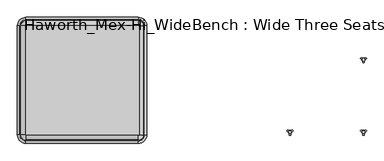
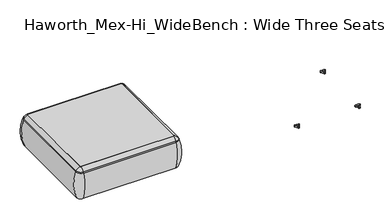
"""IFC4 building model written with IfcOpenShell, lengths in millimetres: furniture geometry, Haworth_Mex-Hi_WideBench : Wide Three Seats Bench."""

from ifc_helpers import new_model, si_unit, point, frame, frame_2d, origin, place, context, project, spatial, polyline, circle_curve, ellipse_curve, trimmed, segment, composite_curve, outline, extrude, source, transform, mapped, element, save
from ifc_brep_helpers import plane_surface, cylinder_surface, revolved_surface, advanced_brep


def haworth_mex_hi_widebench_wide_three_seats_bench_999d82e3(model_context):
    return source(origin(), model_context, "Body", "SolidModel", [
        advanced_brep(
        [(-1447.2450173, -668.4794123, 390.3914007), (-1441.96521, -673.7592195, 390.3914007), (-1441.96521, -673.7592195, 123.9999984), (-1447.2450173, -668.4794123, 123.9999984), (-1475.9330615, -668.4794123, 123.9999984), (-1441.96521, -702.4472637, 123.9999984), (-1441.96521, -710.1267287, 353.7769053), (-1483.6125265, -668.4794123, 353.7769053), (-1447.2450173, 89.8571486, 123.9999984), (-1447.2450173, 89.8571486, 390.3914007), (-1483.6125265, 89.8571486, 353.7769053), (-1475.9330615, 89.8571486, 123.9999984), (-1441.96521, 95.1369558, 390.3914007), (-1441.96521, 95.1369558, 123.9999984), (-1441.96521, 123.825, 123.9999984), (-1441.96521, 131.504465, 353.7769053), (-662.18521, 95.1369558, 123.9999984), (-662.18521, 95.1369558, 390.3914007), (-662.18521, 131.504465, 353.7769053), (-662.18521, 123.825, 123.9999984), (-656.9054028, 89.8571486, 390.3914007), (-656.9054028, 89.8571486, 123.9999984), (-628.2173586, 89.8571486, 123.9999984), (-620.5378936, 89.8571486, 353.7769053), (-656.9054028, -668.4794123, 123.9999984), (-656.9054028, -668.4794123, 390.3914007), (-620.5378936, -668.4794123, 353.7769053), (-628.2173586, -668.4794123, 123.9999984), (-662.18521, -673.7592195, 390.3914007), (-662.18521, -673.7592195, 123.9999984), (-662.18521, -702.4472637, 123.9999984), (-662.18521, -710.1267287, 353.7769053), (-1478.3940666, -668.4794123, 363.6402875), (-1441.96521, -704.9082688, 363.6402875), (-1478.3940666, 89.8571486, 363.6402875), (-1441.96521, 126.2860051, 363.6402875), (-662.18521, 126.2860051, 363.6402875), (-625.7563535, 89.8571486, 363.6402875), (-625.7563535, -668.4794123, 363.6402875), (-662.18521, -704.9082688, 363.6402875)],
        [
            (0, 1, circle_curve(frame((-1441.96521, -668.4794123, 390.3914007), z_axis=(0.0, 0.0, 1.0), x_axis=(0.0, -1.0, 0.0)), 5.2798073)),
            (1, 2),
            (2, 3, circle_curve(frame((-1441.96521, -668.4794123, 123.9999984), z_axis=(0.0, 0.0, -1.0), x_axis=(0.0, -1.0, 0.0)), 5.2798073)),
            (3, 0),
            (4, 5, circle_curve(frame((-1441.96521, -668.4794123, 123.9999984), z_axis=(0.0, 0.0, 1.0), x_axis=(0.0, -1.0, 0.0)), 33.9678514)),
            (5, 6, circle_curve(frame((-1441.96521, -406.0729797, 248.9220234), z_axis=(-1.0, 0.0, 0.0), x_axis=(0.0, -1.0, 0.0)), 321.625914)),
            (6, 7, circle_curve(frame((-1441.96521, -668.4794123, 353.7769053), z_axis=(0.0, 0.0, -1.0), x_axis=(0.0, -1.0, 0.0)), 41.6473165)),
            (7, 4, circle_curve(frame((-1179.5587775, -668.4794123, 248.9220234), z_axis=(0.0, -1.0, 0.0), x_axis=(-1.0, 0.0, 0.0)), 321.625914)),
            (3, 8),
            (8, 9),
            (9, 0),
            (7, 10),
            (10, 11, circle_curve(frame((-1179.5587775, 89.8571486, 248.9220234), z_axis=(0.0, -1.0, 0.0), x_axis=(-1.0, 0.0, 0.0)), 321.625914)),
            (11, 4),
            (12, 9, circle_curve(frame((-1441.96521, 89.8571486, 390.3914007), z_axis=(0.0, 0.0, 1.0), x_axis=(-1.0, 0.0, 0.0)), 5.2798073)),
            (8, 13, circle_curve(frame((-1441.96521, 89.8571486, 123.9999984), z_axis=(0.0, 0.0, -1.0), x_axis=(-1.0, 0.0, 0.0)), 5.2798073)),
            (13, 12),
            (14, 11, circle_curve(frame((-1441.96521, 89.8571486, 123.9999984), z_axis=(0.0, 0.0, 1.0), x_axis=(-1.0, 0.0, 0.0)), 33.9678514)),
            (10, 15, circle_curve(frame((-1441.96521, 89.8571486, 353.7769053), z_axis=(0.0, 0.0, -1.0), x_axis=(-1.0, 0.0, 0.0)), 41.6473165)),
            (15, 14, circle_curve(frame((-1441.96521, -172.549284, 248.9220234), z_axis=(-1.0, 0.0, 0.0), x_axis=(0.0, 1.0, 0.0)), 321.625914)),
            (13, 16),
            (16, 17),
            (17, 12),
            (15, 18),
            (18, 19, circle_curve(frame((-662.18521, -172.549284, 248.9220234), z_axis=(-1.0, 0.0, 0.0), x_axis=(0.0, 1.0, 0.0)), 321.625914)),
            (19, 14),
            (20, 17, circle_curve(frame((-662.18521, 89.8571486, 390.3914007), z_axis=(0.0, 0.0, 1.0), x_axis=(0.0, 1.0, 0.0)), 5.2798073)),
            (16, 21, circle_curve(frame((-662.18521, 89.8571486, 123.9999984), z_axis=(0.0, 0.0, -1.0), x_axis=(0.0, 1.0, 0.0)), 5.2798073)),
            (21, 20),
            (22, 19, circle_curve(frame((-662.18521, 89.8571486, 123.9999984), z_axis=(0.0, 0.0, 1.0), x_axis=(0.0, 1.0, 0.0)), 33.9678514)),
            (18, 23, circle_curve(frame((-662.18521, 89.8571486, 353.7769053), z_axis=(0.0, 0.0, -1.0), x_axis=(0.0, 1.0, 0.0)), 41.6473165)),
            (23, 22, circle_curve(frame((-924.5916426, 89.8571486, 248.9220234), z_axis=(0.0, 1.0, 0.0), x_axis=(1.0, 0.0, 0.0)), 321.625914)),
            (21, 24),
            (24, 25),
            (25, 20),
            (23, 26),
            (26, 27, circle_curve(frame((-924.5916426, -668.4794123, 248.9220234), z_axis=(0.0, 1.0, 0.0), x_axis=(1.0, 0.0, 0.0)), 321.625914)),
            (27, 22),
            (28, 25, circle_curve(frame((-662.18521, -668.4794123, 390.3914007), z_axis=(0.0, 0.0, 1.0), x_axis=(1.0, 0.0, 0.0)), 5.2798073)),
            (24, 29, circle_curve(frame((-662.18521, -668.4794123, 123.9999984), z_axis=(0.0, 0.0, -1.0), x_axis=(1.0, 0.0, 0.0)), 5.2798073)),
            (29, 28),
            (30, 27, circle_curve(frame((-662.18521, -668.4794123, 123.9999984), z_axis=(0.0, 0.0, 1.0), x_axis=(1.0, 0.0, 0.0)), 33.9678514)),
            (26, 31, circle_curve(frame((-662.18521, -668.4794123, 353.7769053), z_axis=(0.0, 0.0, -1.0), x_axis=(1.0, 0.0, 0.0)), 41.6473165)),
            (31, 30, circle_curve(frame((-662.18521, -406.0729797, 248.9220234), z_axis=(1.0, 0.0, 0.0), x_axis=(0.0, -1.0, 0.0)), 321.625914)),
            (30, 5),
            (2, 29),
            (1, 28),
            (31, 6),
            (32, 33, circle_curve(frame((-1441.96521, -668.4794123, 363.6402875), z_axis=(0.0, 0.0, 1.0), x_axis=(0.0, -1.0, 0.0)), 36.4288566)),
            (33, 1, circle_curve(frame((-1441.96521, -629.5266, 307.3762868), z_axis=(-1.0, 0.0, 0.0), x_axis=(0.0, -1.0, 0.0)), 94.0639876)),
            (0, 32, circle_curve(frame((-1403.0123978, -668.4794123, 307.3762868), z_axis=(0.0, -1.0, 0.0), x_axis=(-1.0, 0.0, 0.0)), 94.0639876)),
            (6, 33, circle_curve(frame((-1441.96521, -675.8620096, 341.9604975), z_axis=(-1.0, 0.0, 0.0), x_axis=(0.0, -1.0, 0.0)), 36.2449785)),
            (32, 7, circle_curve(frame((-1449.3478074, -668.4794123, 341.9604975), z_axis=(0.0, -1.0, 0.0), x_axis=(-1.0, 0.0, 0.0)), 36.2449785)),
            (9, 34, circle_curve(frame((-1403.0123978, 89.8571486, 307.3762868), z_axis=(0.0, -1.0, 0.0), x_axis=(-1.0, 0.0, 0.0)), 94.0639876)),
            (34, 32),
            (34, 10, circle_curve(frame((-1449.3478074, 89.8571486, 341.9604975), z_axis=(0.0, -1.0, 0.0), x_axis=(-1.0, 0.0, 0.0)), 36.2449785)),
            (35, 34, circle_curve(frame((-1441.96521, 89.8571486, 363.6402875), z_axis=(0.0, 0.0, 1.0), x_axis=(-1.0, 0.0, 0.0)), 36.4288566)),
            (12, 35, circle_curve(frame((-1441.96521, 50.9043363, 307.3762868), z_axis=(-1.0, 0.0, 0.0), x_axis=(0.0, 1.0, 0.0)), 94.0639876)),
            (35, 15, circle_curve(frame((-1441.96521, 97.2397459, 341.9604975), z_axis=(-1.0, 0.0, 0.0), x_axis=(0.0, 1.0, 0.0)), 36.2449785)),
            (17, 36, circle_curve(frame((-662.18521, 50.9043363, 307.3762868), z_axis=(-1.0, 0.0, 0.0), x_axis=(0.0, 1.0, 0.0)), 94.0639876)),
            (36, 35),
            (36, 18, circle_curve(frame((-662.18521, 97.2397459, 341.9604975), z_axis=(-1.0, 0.0, 0.0), x_axis=(0.0, 1.0, 0.0)), 36.2449785)),
            (37, 36, circle_curve(frame((-662.18521, 89.8571486, 363.6402875), z_axis=(0.0, 0.0, 1.0), x_axis=(0.0, 1.0, 0.0)), 36.4288566)),
            (20, 37, circle_curve(frame((-701.1380223, 89.8571486, 307.3762868), z_axis=(0.0, 1.0, 0.0), x_axis=(1.0, 0.0, 0.0)), 94.0639876)),
            (37, 23, circle_curve(frame((-654.8026126, 89.8571486, 341.9604975), z_axis=(0.0, 1.0, 0.0), x_axis=(1.0, 0.0, 0.0)), 36.2449785)),
            (25, 38, circle_curve(frame((-701.1380223, -668.4794123, 307.3762868), z_axis=(0.0, 1.0, 0.0), x_axis=(1.0, 0.0, 0.0)), 94.0639876)),
            (38, 37),
            (38, 26, circle_curve(frame((-654.8026126, -668.4794123, 341.9604975), z_axis=(0.0, 1.0, 0.0), x_axis=(1.0, 0.0, 0.0)), 36.2449785)),
            (39, 38, circle_curve(frame((-662.18521, -668.4794123, 363.6402875), z_axis=(0.0, 0.0, 1.0), x_axis=(1.0, 0.0, 0.0)), 36.4288566)),
            (28, 39, circle_curve(frame((-662.18521, -629.5266, 307.3762868), z_axis=(1.0, 0.0, 0.0), x_axis=(0.0, -1.0, 0.0)), 94.0639876)),
            (39, 31, circle_curve(frame((-662.18521, -675.8620096, 341.9604975), z_axis=(1.0, 0.0, 0.0), x_axis=(0.0, -1.0, 0.0)), 36.2449785)),
            (33, 39),
        ],
        [
            revolved_surface(polyline([(-1441.96521, -673.7592196, 123.9999984), (-1441.96521, -673.7592196, 390.3914007)]), (-1441.96521, -668.4794123, 0.0), (0.0, 0.0, -1.0)),
            revolved_surface(trimmed(ellipse_curve(frame((-1441.96521, -406.0729797, 248.9220234), z_axis=(1.0, 0.0, 0.0), x_axis=(0.0, -1.0, 0.0)), 321.625914, 321.625914), [point((-1441.96521, -710.1267287, 353.7769053))], [point((-1441.96521, -702.4472637, 123.9999984))], True, "CARTESIAN"), (-1441.96521, -668.4794123, 0.0), (0.0, 0.0, -1.0)),
            plane_surface(frame((-1447.2450173, -668.4794123, 123.9999984), z_axis=(1.0, 0.0, 0.0), x_axis=(0.0, 1.0, 0.0))),
            cylinder_surface(frame((-1179.5587775, -668.4794123, 248.9220234), z_axis=(0.0, -1.0, 0.0), x_axis=(-1.0, 0.0, 0.0)), 321.625914),
            revolved_surface(polyline([(-1447.2450173, 89.8571486, 123.9999984), (-1447.2450173, 89.8571486, 390.3914007)]), (-1441.96521, 89.8571486, 0.0), (0.0, 0.0, -1.0)),
            revolved_surface(trimmed(ellipse_curve(frame((-1179.5587775, 89.8571486, 248.9220234), z_axis=(0.0, -1.0, 0.0), x_axis=(-1.0, 0.0, 0.0)), 321.625914, 321.625914), [point((-1483.6125265, 89.8571486, 353.7769053))], [point((-1475.9330615, 89.8571486, 123.9999984))], True, "CARTESIAN"), (-1441.96521, 89.8571486, 0.0), (0.0, 0.0, -1.0)),
            plane_surface(frame((-1441.96521, 95.1369558, 123.9999984), z_axis=(0.0, -1.0, 0.0), x_axis=(1.0, 0.0, 0.0))),
            cylinder_surface(frame((-1441.96521, -172.549284, 248.9220234), z_axis=(-1.0, 0.0, 0.0), x_axis=(0.0, 1.0, 0.0)), 321.625914),
            revolved_surface(polyline([(-662.18521, 95.1369559, 123.9999984), (-662.18521, 95.1369559, 390.3914007)]), (-662.18521, 89.8571486, 0.0), (0.0, 0.0, -1.0)),
            revolved_surface(trimmed(ellipse_curve(frame((-662.18521, -172.549284, 248.9220234), z_axis=(-1.0, 0.0, 0.0), x_axis=(0.0, 1.0, 0.0)), 321.625914, 321.625914), [point((-662.18521, 131.504465, 353.7769053))], [point((-662.18521, 123.825, 123.9999984))], True, "CARTESIAN"), (-662.18521, 89.8571486, 0.0), (0.0, 0.0, -1.0)),
            plane_surface(frame((-656.9054028, 89.8571486, 123.9999984), z_axis=(-1.0, 0.0, 0.0), x_axis=(0.0, -1.0, 0.0))),
            cylinder_surface(frame((-924.5916426, 89.8571486, 248.9220234), z_axis=(0.0, 1.0, 0.0), x_axis=(1.0, 0.0, 0.0)), 321.625914),
            revolved_surface(polyline([(-656.9054027, -668.4794123, 123.9999984), (-656.9054027, -668.4794123, 390.3914007)]), (-662.18521, -668.4794123, 0.0), (0.0, 0.0, -1.0)),
            revolved_surface(trimmed(ellipse_curve(frame((-924.5916426, -668.4794123, 248.9220234), z_axis=(0.0, 1.0, 0.0), x_axis=(1.0, 0.0, 0.0)), 321.625914, 321.625914), [point((-620.5378936, -668.4794123, 353.7769053))], [point((-628.2173586, -668.4794123, 123.9999984))], True, "CARTESIAN"), (-662.18521, -668.4794123, 0.0), (0.0, 0.0, -1.0)),
            plane_surface(frame((-662.18521, -702.4472637, 123.9999984), z_axis=(0.0, 0.0, -1.0), x_axis=(-1.0, 0.0, 0.0))),
            plane_surface(frame((-662.18521, -673.7592195, 123.9999984), z_axis=(0.0, 1.0, 0.0), x_axis=(-1.0, 0.0, 0.0))),
            cylinder_surface(frame((-662.18521, -406.0729797, 248.9220234), z_axis=(1.0, 0.0, 0.0), x_axis=(0.0, -1.0, 0.0)), 321.625914),
            revolved_surface(trimmed(ellipse_curve(frame((-1441.96521, -629.5266, 307.3762868), z_axis=(1.0, 0.0, 0.0), x_axis=(0.0, -1.0, 0.0)), 94.0639876, 94.0639876), [point((-1441.96521, -673.7592195, 390.3914007))], [point((-1441.96521, -704.9082688, 363.6402875))], True, "CARTESIAN"), (-1441.96521, -668.4794123, 0.0), (0.0, 0.0, -1.0)),
            revolved_surface(trimmed(ellipse_curve(frame((-1441.96521, -675.8620096, 341.9604975), z_axis=(1.0, 0.0, 0.0), x_axis=(0.0, -1.0, 0.0)), 36.2449785, 36.2449785), [point((-1441.96521, -704.9082688, 363.6402875))], [point((-1441.96521, -710.1267287, 353.7769053))], True, "CARTESIAN"), (-1441.96521, -668.4794123, 0.0), (0.0, 0.0, -1.0)),
            cylinder_surface(frame((-1403.0123978, -668.4794123, 307.3762868), z_axis=(0.0, -1.0, 0.0), x_axis=(-1.0, 0.0, 0.0)), 94.0639876),
            cylinder_surface(frame((-1449.3478074, -668.4794123, 341.9604975), z_axis=(0.0, -1.0, 0.0), x_axis=(-1.0, 0.0, 0.0)), 36.2449785),
            revolved_surface(trimmed(ellipse_curve(frame((-1403.0123978, 89.8571486, 307.3762868), z_axis=(0.0, -1.0, 0.0), x_axis=(-1.0, 0.0, 0.0)), 94.0639876, 94.0639876), [point((-1447.2450173, 89.8571486, 390.3914007))], [point((-1478.3940666, 89.8571486, 363.6402875))], True, "CARTESIAN"), (-1441.96521, 89.8571486, 0.0), (0.0, 0.0, -1.0)),
            revolved_surface(trimmed(ellipse_curve(frame((-1449.3478074, 89.8571486, 341.9604975), z_axis=(0.0, -1.0, 0.0), x_axis=(-1.0, 0.0, 0.0)), 36.2449785, 36.2449785), [point((-1478.3940666, 89.8571486, 363.6402875))], [point((-1483.6125265, 89.8571486, 353.7769053))], True, "CARTESIAN"), (-1441.96521, 89.8571486, 0.0), (0.0, 0.0, -1.0)),
            cylinder_surface(frame((-1441.96521, 50.9043363, 307.3762868), z_axis=(-1.0, 0.0, 0.0), x_axis=(0.0, 1.0, 0.0)), 94.0639876),
            cylinder_surface(frame((-1441.96521, 97.2397459, 341.9604975), z_axis=(-1.0, 0.0, 0.0), x_axis=(0.0, 1.0, 0.0)), 36.2449785),
            revolved_surface(trimmed(ellipse_curve(frame((-662.18521, 50.9043363, 307.3762868), z_axis=(-1.0, 0.0, 0.0), x_axis=(0.0, 1.0, 0.0)), 94.0639876, 94.0639876), [point((-662.18521, 95.1369558, 390.3914007))], [point((-662.18521, 126.2860051, 363.6402875))], True, "CARTESIAN"), (-662.18521, 89.8571486, 0.0), (0.0, 0.0, -1.0)),
            revolved_surface(trimmed(ellipse_curve(frame((-662.18521, 97.2397459, 341.9604975), z_axis=(-1.0, 0.0, 0.0), x_axis=(0.0, 1.0, 0.0)), 36.2449785, 36.2449785), [point((-662.18521, 126.2860051, 363.6402875))], [point((-662.18521, 131.504465, 353.7769053))], True, "CARTESIAN"), (-662.18521, 89.8571486, 0.0), (0.0, 0.0, -1.0)),
            cylinder_surface(frame((-701.1380223, 89.8571486, 307.3762868), z_axis=(0.0, 1.0, 0.0), x_axis=(1.0, 0.0, 0.0)), 94.0639876),
            cylinder_surface(frame((-654.8026126, 89.8571486, 341.9604975), z_axis=(0.0, 1.0, 0.0), x_axis=(1.0, 0.0, 0.0)), 36.2449785),
            revolved_surface(trimmed(ellipse_curve(frame((-701.1380223, -668.4794123, 307.3762868), z_axis=(0.0, 1.0, 0.0), x_axis=(1.0, 0.0, 0.0)), 94.0639876, 94.0639876), [point((-656.9054028, -668.4794123, 390.3914007))], [point((-625.7563535, -668.4794123, 363.6402875))], True, "CARTESIAN"), (-662.18521, -668.4794123, 0.0), (0.0, 0.0, -1.0)),
            revolved_surface(trimmed(ellipse_curve(frame((-654.8026126, -668.4794123, 341.9604975), z_axis=(0.0, 1.0, 0.0), x_axis=(1.0, 0.0, 0.0)), 36.2449785, 36.2449785), [point((-625.7563535, -668.4794123, 363.6402875))], [point((-620.5378936, -668.4794123, 353.7769053))], True, "CARTESIAN"), (-662.18521, -668.4794123, 0.0), (0.0, 0.0, -1.0)),
            cylinder_surface(frame((-662.18521, -629.5266, 307.3762868), z_axis=(1.0, 0.0, 0.0), x_axis=(0.0, -1.0, 0.0)), 94.0639876),
            cylinder_surface(frame((-662.18521, -675.8620096, 341.9604975), z_axis=(1.0, 0.0, 0.0), x_axis=(0.0, -1.0, 0.0)), 36.2449785),
        ],
        [
            (0, [[1, 2, 3, 4]]),
            (1, [[5, 6, 7, 8]]),
            (2, [[-4, 9, 10, 11]]),
            (3, [[-8, 12, 13, 14]]),
            (4, [[15, -10, 16, 17]]),
            (5, [[18, -13, 19, 20]]),
            (6, [[-17, 21, 22, 23]]),
            (7, [[-20, 24, 25, 26]]),
            (8, [[27, -22, 28, 29]]),
            (9, [[30, -25, 31, 32]]),
            (10, [[-29, 33, 34, 35]]),
            (11, [[-32, 36, 37, 38]]),
            (12, [[39, -34, 40, 41]]),
            (13, [[42, -37, 43, 44]]),
            (14, [[-38, -42, 45, -5, -14, -18, -26, -30], [46, -40, -33, -28, -21, -16, -9, -3]]),
            (15, [[-41, -46, -2, 47]]),
            (16, [[-44, 48, -6, -45]]),
            (17, [[49, 50, -1, 51]]),
            (18, [[-7, 52, -49, 53]]),
            (19, [[-51, -11, 54, 55]]),
            (20, [[-53, -55, 56, -12]]),
            (21, [[57, -54, -15, 58]]),
            (22, [[-19, -56, -57, 59]]),
            (23, [[-58, -23, 60, 61]]),
            (24, [[-59, -61, 62, -24]]),
            (25, [[63, -60, -27, 64]]),
            (26, [[-31, -62, -63, 65]]),
            (27, [[-64, -35, 66, 67]]),
            (28, [[-65, -67, 68, -36]]),
            (29, [[69, -66, -39, 70]]),
            (30, [[-43, -68, -69, 71]]),
            (31, [[-70, -47, -50, 72]]),
            (32, [[-71, -72, -52, -48]]),
        ],
    ),
        extrude(outline(composite_curve([segment(trimmed(circle_curve(frame_2d((-662.18521, -668.4794123)), 5.2798073), [point((-656.9054028, -668.4794123))], [point((-662.18521, -673.7592195))], False, "CARTESIAN"), True, "CONTINUOUS"), segment(polyline([(-662.18521, -673.7592195), (-1441.96521, -673.7592195)]), True, "CONTINUOUS"), segment(trimmed(circle_curve(frame_2d((-1441.96521, -668.4794123)), 5.2798073), [point((-1441.96521, -673.7592195))], [point((-1447.2450173, -668.4794123))], False, "CARTESIAN"), True, "CONTINUOUS"), segment(polyline([(-1447.2450173, -668.4794123), (-1447.2450173, 89.8571486)]), True, "CONTINUOUS"), segment(trimmed(circle_curve(frame_2d((-1441.96521, 89.8571486)), 5.2798073), [point((-1447.2450173, 89.8571486))], [point((-1441.96521, 95.1369558))], False, "CARTESIAN"), True, "CONTINUOUS"), segment(polyline([(-1441.96521, 95.1369558), (-662.18521, 95.1369558)]), True, "CONTINUOUS"), segment(trimmed(circle_curve(frame_2d((-662.18521, 89.8571486)), 5.2798073), [point((-662.18521, 95.1369558))], [point((-656.9054028, 89.8571486))], False, "CARTESIAN"), True, "CONTINUOUS"), segment(polyline([(-656.9054028, 89.8571486), (-656.9054028, -668.4794123)]), True, "CONTINUOUS")], self_intersect=False)), frame((0.0, 0.0, 123.9999984), z_axis=(0.0, 0.0, 1.0), x_axis=(1.0, 0.0, 0.0)), (0.0, 0.0, 1.0), 266.3914023),
        advanced_brep(
        [(-1216.6567178, -130.2721038, 98.611642), (-1220.879306, -137.585841, 98.611642), (-1220.4813572, -138.7518724, 98.611642), (-1204.6620864, -166.1516574, 98.611642), (-1203.8512529, -167.0792988, 98.611642), (-1195.4060744, -167.0792988, 98.611642), (-1194.6015461, -165.9895174, 98.611642), (-1178.4992931, -138.4877144, 98.611642), (-1178.378016, -137.5858427, 98.611642), (-1182.600606, -130.2721023, 98.611642), (-1183.8093894, -130.0337175, 98.611642), (-1215.4479379, -130.0337175, 98.611642), (-1190.2557871, -145.1926245, 98.611642), (-1209.160799, -145.1926245, 98.611642), (-1216.6567178, -130.2721038, 88.6531552), (-1215.4479379, -130.0337175, 88.6531552), (-1183.8093894, -130.0337175, 88.6531552), (-1182.600606, -130.2721023, 88.6531552), (-1178.378016, -137.5858427, 88.6531552), (-1178.4992931, -138.4877144, 88.6531552), (-1194.6015461, -165.9895174, 88.6531552), (-1195.4060744, -167.0792988, 88.6531552), (-1203.8512529, -167.0792988, 88.6531552), (-1204.6620864, -166.1516574, 88.6531552), (-1220.4813572, -138.7518724, 88.6531552), (-1220.879306, -137.585841, 88.6531552), (-1209.160799, -145.1926245, 103.6569541), (-1190.2557871, -145.1926245, 103.6569541)],
        [
            (0, 1, circle_curve(frame((-1198.3972298, -145.690049, 98.611642), z_axis=(0.0, 0.0, 1.0), x_axis=(1.0, 0.0, 0.0)), 23.8981576)),
            (1, 2, circle_curve(frame((-1219.9517474, -137.920202, 98.611642), z_axis=(0.0, 0.0, 1.0), x_axis=(1.0, 0.0, 0.0)), 0.9859828)),
            (2, 3, circle_curve(frame((-1238.8767271, -167.6389644, 98.611642), z_axis=(0.0, 0.0, -1.0), x_axis=(1.0, 0.0, 0.0)), 34.246952)),
            (3, 4, circle_curve(frame((-1203.6770431, -166.1088376, 98.611642), z_axis=(0.0, 0.0, 1.0), x_axis=(1.0, 0.0, 0.0)), 0.9859736)),
            (4, 5, circle_curve(frame((-1199.6286636, -143.5567534, 98.611642), z_axis=(0.0, 0.0, 1.0), x_axis=(1.0, 0.0, 0.0)), 23.8985439)),
            (5, 6, circle_curve(frame((-1195.5802862, -166.1088262, 98.611642), z_axis=(0.0, 0.0, 1.0), x_axis=(1.0, 0.0, 0.0)), 0.9859852)),
            (6, 7, circle_curve(frame((-1160.3798725, -167.5614211, 98.611642), z_axis=(0.0, 0.0, -1.0), x_axis=(1.0, 0.0, 0.0)), 34.2577557)),
            (7, 8, circle_curve(frame((-1179.3055775, -137.9202011, 98.611642), z_axis=(0.0, 0.0, 1.0), x_axis=(1.0, 0.0, 0.0)), 0.9859847)),
            (8, 9, circle_curve(frame((-1200.8597064, -145.6898258, 98.611642), z_axis=(0.0, 0.0, 1.0), x_axis=(1.0, 0.0, 0.0)), 23.8977184)),
            (9, 10, circle_curve(frame((-1183.3539522, -130.9082171, 98.611642), z_axis=(0.0, 0.0, 1.0), x_axis=(1.0, 0.0, 0.0)), 0.9859881)),
            (10, 11, circle_curve(frame((-1199.6286636, -99.6586209, 98.611642), z_axis=(0.0, 0.0, -1.0), x_axis=(1.0, 0.0, 0.0)), 34.2475683)),
            (11, 0, circle_curve(frame((-1215.9033729, -130.9082131, 98.611642), z_axis=(0.0, 0.0, 1.0), x_axis=(1.0, 0.0, 0.0)), 0.9859835)),
            (12, 13, circle_curve(frame((-1199.7082931, -145.1926245, 98.611642), z_axis=(0.0, 0.0, -1.0), x_axis=(1.0, 0.0, 0.0)), 9.452506)),
            (13, 12, circle_curve(frame((-1199.7082931, -145.1926245, 98.611642), z_axis=(0.0, 0.0, -1.0), x_axis=(1.0, 0.0, 0.0)), 9.452506)),
            (14, 15, circle_curve(frame((-1215.9033729, -130.9082131, 88.6531552), z_axis=(0.0, 0.0, -1.0), x_axis=(1.0, 0.0, 0.0)), 0.9859835)),
            (15, 16, circle_curve(frame((-1199.6286636, -99.6586209, 88.6531552), z_axis=(0.0, 0.0, 1.0), x_axis=(1.0, 0.0, 0.0)), 34.2475683)),
            (16, 17, circle_curve(frame((-1183.3539522, -130.9082171, 88.6531552), z_axis=(0.0, 0.0, -1.0), x_axis=(1.0, 0.0, 0.0)), 0.9859881)),
            (17, 18, circle_curve(frame((-1200.8597064, -145.6898258, 88.6531552), z_axis=(0.0, 0.0, -1.0), x_axis=(1.0, 0.0, 0.0)), 23.8977184)),
            (18, 19, circle_curve(frame((-1179.3055775, -137.9202011, 88.6531552), z_axis=(0.0, 0.0, -1.0), x_axis=(1.0, 0.0, 0.0)), 0.9859847)),
            (19, 20, circle_curve(frame((-1160.3798725, -167.5614211, 88.6531552), z_axis=(0.0, 0.0, 1.0), x_axis=(1.0, 0.0, 0.0)), 34.2577557)),
            (20, 21, circle_curve(frame((-1195.5802862, -166.1088262, 88.6531552), z_axis=(0.0, 0.0, -1.0), x_axis=(1.0, 0.0, 0.0)), 0.9859852)),
            (21, 22, circle_curve(frame((-1199.6286636, -143.5567534, 88.6531552), z_axis=(0.0, 0.0, -1.0), x_axis=(1.0, 0.0, 0.0)), 23.8985439)),
            (22, 23, circle_curve(frame((-1203.6770431, -166.1088376, 88.6531552), z_axis=(0.0, 0.0, -1.0), x_axis=(1.0, 0.0, 0.0)), 0.9859736)),
            (23, 24, circle_curve(frame((-1238.8767271, -167.6389644, 88.6531552), z_axis=(0.0, 0.0, 1.0), x_axis=(1.0, 0.0, 0.0)), 34.246952)),
            (24, 25, circle_curve(frame((-1219.9517474, -137.920202, 88.6531552), z_axis=(0.0, 0.0, -1.0), x_axis=(1.0, 0.0, 0.0)), 0.9859828)),
            (25, 14, circle_curve(frame((-1198.3972298, -145.690049, 88.6531552), z_axis=(0.0, 0.0, -1.0), x_axis=(1.0, 0.0, 0.0)), 23.8981576)),
            (26, 27, circle_curve(frame((-1199.7082931, -145.1926245, 103.6569541), z_axis=(0.0, 0.0, 1.0), x_axis=(1.0, 0.0, 0.0)), 9.452506)),
            (27, 26, circle_curve(frame((-1199.7082931, -145.1926245, 103.6569541), z_axis=(0.0, 0.0, 1.0), x_axis=(1.0, 0.0, 0.0)), 9.452506)),
            (0, 14),
            (25, 1),
            (24, 2),
            (23, 3),
            (22, 4),
            (21, 5),
            (20, 6),
            (19, 7),
            (18, 8),
            (17, 9),
            (16, 10),
            (15, 11),
            (26, 13),
            (12, 27),
        ],
        [
            plane_surface(frame((-1174.4990722, -145.690049, 98.611642), z_axis=(0.0, 0.0, 1.0), x_axis=(0.0, 1.0, 0.0))),
            plane_surface(frame((-1174.4990722, -145.690049, 88.6531552), z_axis=(0.0, 0.0, -1.0), x_axis=(0.0, -1.0, 0.0))),
            plane_surface(frame((-1190.2557871, -145.1926245, 103.6569541), z_axis=(0.0, 0.0, 1.0), x_axis=(0.0, 1.0, 0.0))),
            cylinder_surface(frame((-1198.3972298, -145.690049, 88.6531552), z_axis=(0.0, 0.0, 1.0), x_axis=(1.0, 0.0, 0.0)), 23.8981576),
            cylinder_surface(frame((-1219.9517474, -137.920202, 88.6531552), z_axis=(0.0, 0.0, 1.0), x_axis=(1.0, 0.0, 0.0)), 0.9859828),
            revolved_surface(polyline([(-1204.6297751, -167.6389644, 88.6531552), (-1204.6297751, -167.6389644, 98.611642)]), (-1238.8767271, -167.6389644, 88.6531552), (0.0, 0.0, -1.0)),
            cylinder_surface(frame((-1203.6770431, -166.1088376, 88.6531552), z_axis=(0.0, 0.0, 1.0), x_axis=(1.0, 0.0, 0.0)), 0.9859736),
            cylinder_surface(frame((-1199.6286636, -143.5567534, 88.6531552), z_axis=(0.0, 0.0, 1.0), x_axis=(1.0, 0.0, 0.0)), 23.8985439),
            cylinder_surface(frame((-1195.5802862, -166.1088262, 88.6531552), z_axis=(0.0, 0.0, 1.0), x_axis=(1.0, 0.0, 0.0)), 0.9859852),
            revolved_surface(polyline([(-1126.1221168, -167.5614211, 88.6531552), (-1126.1221168, -167.5614211, 98.611642)]), (-1160.3798725, -167.5614211, 88.6531552), (0.0, 0.0, -1.0)),
            cylinder_surface(frame((-1179.3055775, -137.9202011, 88.6531552), z_axis=(0.0, 0.0, 1.0), x_axis=(1.0, 0.0, 0.0)), 0.9859847),
            cylinder_surface(frame((-1200.8597064, -145.6898258, 88.6531552), z_axis=(0.0, 0.0, 1.0), x_axis=(1.0, 0.0, 0.0)), 23.8977184),
            cylinder_surface(frame((-1183.3539522, -130.9082171, 88.6531552), z_axis=(0.0, 0.0, 1.0), x_axis=(1.0, 0.0, 0.0)), 0.9859881),
            revolved_surface(polyline([(-1165.3810953, -99.6586209, 88.6531552), (-1165.3810953, -99.6586209, 98.611642)]), (-1199.6286636, -99.6586209, 88.6531552), (0.0, 0.0, -1.0)),
            cylinder_surface(frame((-1215.9033729, -130.9082131, 88.6531552), z_axis=(0.0, 0.0, 1.0), x_axis=(1.0, 0.0, 0.0)), 0.9859835),
            cylinder_surface(frame((-1199.7082931, -145.1926245, 98.611642), z_axis=(0.0, 0.0, 1.0), x_axis=(1.0, 0.0, 0.0)), 9.452506),
        ],
        [
            (0, [[1, 2, 3, 4, 5, 6, 7, 8, 9, 10, 11, 12], [13, 14]]),
            (1, [[15, 16, 17, 18, 19, 20, 21, 22, 23, 24, 25, 26]]),
            (2, [[27, 28]]),
            (3, [[-1, 29, -26, 30]]),
            (4, [[-2, -30, -25, 31]]),
            (5, [[-3, -31, -24, 32]]),
            (6, [[-4, -32, -23, 33]]),
            (7, [[-5, -33, -22, 34]]),
            (8, [[-6, -34, -21, 35]]),
            (9, [[-7, -35, -20, 36]]),
            (10, [[-8, -36, -19, 37]]),
            (11, [[-9, -37, -18, 38]]),
            (12, [[-10, -38, -17, 39]]),
            (13, [[-11, -39, -16, 40]]),
            (14, [[-12, -40, -15, -29]]),
            (15, [[-27, 41, -13, 42]]),
            (15, [[-28, -42, -14, -41]]),
        ],
    ),
        advanced_brep(
        [(883.5433829, -130.2721038, 98.611642), (879.3207947, -137.585841, 98.611642), (879.7187435, -138.7518724, 98.611642), (895.5380143, -166.1516574, 98.611642), (896.3488478, -167.0792988, 98.611642), (904.7940264, -167.0792988, 98.611642), (905.5985546, -165.9895174, 98.611642), (921.7008076, -138.4877144, 98.611642), (921.8220847, -137.5858427, 98.611642), (917.5994947, -130.2721023, 98.611642), (916.3907113, -130.0337175, 98.611642), (884.7521628, -130.0337175, 98.611642), (909.9443136, -145.1926245, 98.611642), (891.0393017, -145.1926245, 98.611642), (883.5433829, -130.2721038, 88.6531552), (884.7521628, -130.0337175, 88.6531552), (916.3907113, -130.0337175, 88.6531552), (917.5994947, -130.2721023, 88.6531552), (921.8220847, -137.5858427, 88.6531552), (921.7008076, -138.4877144, 88.6531552), (905.5985546, -165.9895174, 88.6531552), (904.7940264, -167.0792988, 88.6531552), (896.3488478, -167.0792988, 88.6531552), (895.5380143, -166.1516574, 88.6531552), (879.7187435, -138.7518724, 88.6531552), (879.3207947, -137.585841, 88.6531552), (891.0393017, -145.1926245, 103.6569541), (909.9443136, -145.1926245, 103.6569541)],
        [
            (0, 1, circle_curve(frame((901.8028709, -145.690049, 98.611642), z_axis=(0.0, 0.0, 1.0), x_axis=(1.0, 0.0, 0.0)), 23.8981576)),
            (1, 2, circle_curve(frame((880.2483533, -137.920202, 98.611642), z_axis=(0.0, 0.0, 1.0), x_axis=(1.0, 0.0, 0.0)), 0.9859828)),
            (2, 3, circle_curve(frame((861.3233736, -167.6389644, 98.611642), z_axis=(0.0, 0.0, -1.0), x_axis=(1.0, 0.0, 0.0)), 34.246952)),
            (3, 4, circle_curve(frame((896.5230576, -166.1088376, 98.611642), z_axis=(0.0, 0.0, 1.0), x_axis=(1.0, 0.0, 0.0)), 0.9859736)),
            (4, 5, circle_curve(frame((900.5714371, -143.5567534, 98.611642), z_axis=(0.0, 0.0, 1.0), x_axis=(1.0, 0.0, 0.0)), 23.8985439)),
            (5, 6, circle_curve(frame((904.6198145, -166.1088262, 98.611642), z_axis=(0.0, 0.0, 1.0), x_axis=(1.0, 0.0, 0.0)), 0.9859852)),
            (6, 7, circle_curve(frame((939.8202282, -167.5614211, 98.611642), z_axis=(0.0, 0.0, -1.0), x_axis=(1.0, 0.0, 0.0)), 34.2577557)),
            (7, 8, circle_curve(frame((920.8945232, -137.9202011, 98.611642), z_axis=(0.0, 0.0, 1.0), x_axis=(1.0, 0.0, 0.0)), 0.9859847)),
            (8, 9, circle_curve(frame((899.3403943, -145.6898258, 98.611642), z_axis=(0.0, 0.0, 1.0), x_axis=(1.0, 0.0, 0.0)), 23.8977184)),
            (9, 10, circle_curve(frame((916.8461485, -130.9082171, 98.611642), z_axis=(0.0, 0.0, 1.0), x_axis=(1.0, 0.0, 0.0)), 0.9859881)),
            (10, 11, circle_curve(frame((900.5714371, -99.6586209, 98.611642), z_axis=(0.0, 0.0, -1.0), x_axis=(1.0, 0.0, 0.0)), 34.2475683)),
            (11, 0, circle_curve(frame((884.2967278, -130.9082131, 98.611642), z_axis=(0.0, 0.0, 1.0), x_axis=(1.0, 0.0, 0.0)), 0.9859835)),
            (12, 13, circle_curve(frame((900.4918076, -145.1926245, 98.611642), z_axis=(0.0, 0.0, -1.0), x_axis=(1.0, 0.0, 0.0)), 9.452506)),
            (13, 12, circle_curve(frame((900.4918076, -145.1926245, 98.611642), z_axis=(0.0, 0.0, -1.0), x_axis=(1.0, 0.0, 0.0)), 9.452506)),
            (14, 15, circle_curve(frame((884.2967278, -130.9082131, 88.6531552), z_axis=(0.0, 0.0, -1.0), x_axis=(1.0, 0.0, 0.0)), 0.9859835)),
            (15, 16, circle_curve(frame((900.5714371, -99.6586209, 88.6531552), z_axis=(0.0, 0.0, 1.0), x_axis=(1.0, 0.0, 0.0)), 34.2475683)),
            (16, 17, circle_curve(frame((916.8461485, -130.9082171, 88.6531552), z_axis=(0.0, 0.0, -1.0), x_axis=(1.0, 0.0, 0.0)), 0.9859881)),
            (17, 18, circle_curve(frame((899.3403943, -145.6898258, 88.6531552), z_axis=(0.0, 0.0, -1.0), x_axis=(1.0, 0.0, 0.0)), 23.8977184)),
            (18, 19, circle_curve(frame((920.8945232, -137.9202011, 88.6531552), z_axis=(0.0, 0.0, -1.0), x_axis=(1.0, 0.0, 0.0)), 0.9859847)),
            (19, 20, circle_curve(frame((939.8202282, -167.5614211, 88.6531552), z_axis=(0.0, 0.0, 1.0), x_axis=(1.0, 0.0, 0.0)), 34.2577557)),
            (20, 21, circle_curve(frame((904.6198145, -166.1088262, 88.6531552), z_axis=(0.0, 0.0, -1.0), x_axis=(1.0, 0.0, 0.0)), 0.9859852)),
            (21, 22, circle_curve(frame((900.5714371, -143.5567534, 88.6531552), z_axis=(0.0, 0.0, -1.0), x_axis=(1.0, 0.0, 0.0)), 23.8985439)),
            (22, 23, circle_curve(frame((896.5230576, -166.1088376, 88.6531552), z_axis=(0.0, 0.0, -1.0), x_axis=(1.0, 0.0, 0.0)), 0.9859736)),
            (23, 24, circle_curve(frame((861.3233736, -167.6389644, 88.6531552), z_axis=(0.0, 0.0, 1.0), x_axis=(1.0, 0.0, 0.0)), 34.246952)),
            (24, 25, circle_curve(frame((880.2483533, -137.920202, 88.6531552), z_axis=(0.0, 0.0, -1.0), x_axis=(1.0, 0.0, 0.0)), 0.9859828)),
            (25, 14, circle_curve(frame((901.8028709, -145.690049, 88.6531552), z_axis=(0.0, 0.0, -1.0), x_axis=(1.0, 0.0, 0.0)), 23.8981576)),
            (26, 27, circle_curve(frame((900.4918076, -145.1926245, 103.6569541), z_axis=(0.0, 0.0, 1.0), x_axis=(1.0, 0.0, 0.0)), 9.452506)),
            (27, 26, circle_curve(frame((900.4918076, -145.1926245, 103.6569541), z_axis=(0.0, 0.0, 1.0), x_axis=(1.0, 0.0, 0.0)), 9.452506)),
            (0, 14),
            (25, 1),
            (24, 2),
            (23, 3),
            (22, 4),
            (21, 5),
            (20, 6),
            (19, 7),
            (18, 8),
            (17, 9),
            (16, 10),
            (15, 11),
            (26, 13),
            (12, 27),
        ],
        [
            plane_surface(frame((925.7010285, -145.690049, 98.611642), z_axis=(0.0, 0.0, 1.0), x_axis=(0.0, 1.0, 0.0))),
            plane_surface(frame((925.7010285, -145.690049, 88.6531552), z_axis=(0.0, 0.0, -1.0), x_axis=(0.0, -1.0, 0.0))),
            plane_surface(frame((909.9443136, -145.1926245, 103.6569541), z_axis=(0.0, 0.0, 1.0), x_axis=(0.0, 1.0, 0.0))),
            cylinder_surface(frame((901.8028709, -145.690049, 88.6531552), z_axis=(0.0, 0.0, 1.0), x_axis=(1.0, 0.0, 0.0)), 23.8981576),
            cylinder_surface(frame((880.2483533, -137.920202, 88.6531552), z_axis=(0.0, 0.0, 1.0), x_axis=(1.0, 0.0, 0.0)), 0.9859828),
            revolved_surface(polyline([(895.5703255999999, -167.6389644, 88.6531552), (895.5703255999999, -167.6389644, 98.611642)]), (861.3233736, -167.6389644, 88.6531552), (0.0, 0.0, -1.0)),
            cylinder_surface(frame((896.5230576, -166.1088376, 88.6531552), z_axis=(0.0, 0.0, 1.0), x_axis=(1.0, 0.0, 0.0)), 0.9859736),
            cylinder_surface(frame((900.5714371, -143.5567534, 88.6531552), z_axis=(0.0, 0.0, 1.0), x_axis=(1.0, 0.0, 0.0)), 23.8985439),
            cylinder_surface(frame((904.6198145, -166.1088262, 88.6531552), z_axis=(0.0, 0.0, 1.0), x_axis=(1.0, 0.0, 0.0)), 0.9859852),
            revolved_surface(polyline([(974.0779838999999, -167.5614211, 88.6531552), (974.0779838999999, -167.5614211, 98.611642)]), (939.8202282, -167.5614211, 88.6531552), (0.0, 0.0, -1.0)),
            cylinder_surface(frame((920.8945232, -137.9202011, 88.6531552), z_axis=(0.0, 0.0, 1.0), x_axis=(1.0, 0.0, 0.0)), 0.9859847),
            cylinder_surface(frame((899.3403943, -145.6898258, 88.6531552), z_axis=(0.0, 0.0, 1.0), x_axis=(1.0, 0.0, 0.0)), 23.8977184),
            cylinder_surface(frame((916.8461485, -130.9082171, 88.6531552), z_axis=(0.0, 0.0, 1.0), x_axis=(1.0, 0.0, 0.0)), 0.9859881),
            revolved_surface(polyline([(934.8190054, -99.6586209, 88.6531552), (934.8190054, -99.6586209, 98.611642)]), (900.5714371, -99.6586209, 88.6531552), (0.0, 0.0, -1.0)),
            cylinder_surface(frame((884.2967278, -130.9082131, 88.6531552), z_axis=(0.0, 0.0, 1.0), x_axis=(1.0, 0.0, 0.0)), 0.9859835),
            cylinder_surface(frame((900.4918076, -145.1926245, 98.611642), z_axis=(0.0, 0.0, 1.0), x_axis=(1.0, 0.0, 0.0)), 9.452506),
        ],
        [
            (0, [[1, 2, 3, 4, 5, 6, 7, 8, 9, 10, 11, 12], [13, 14]]),
            (1, [[15, 16, 17, 18, 19, 20, 21, 22, 23, 24, 25, 26]]),
            (2, [[27, 28]]),
            (3, [[-1, 29, -26, 30]]),
            (4, [[-2, -30, -25, 31]]),
            (5, [[-3, -31, -24, 32]]),
            (6, [[-4, -32, -23, 33]]),
            (7, [[-5, -33, -22, 34]]),
            (8, [[-6, -34, -21, 35]]),
            (9, [[-7, -35, -20, 36]]),
            (10, [[-8, -36, -19, 37]]),
            (11, [[-9, -37, -18, 38]]),
            (12, [[-10, -38, -17, 39]]),
            (13, [[-11, -39, -16, 40]]),
            (14, [[-12, -40, -15, -29]]),
            (15, [[-27, 41, -13, 42]]),
            (15, [[-28, -42, -14, -41]]),
        ],
    ),
        advanced_brep(
        [(883.5433829, -633.9963447, 98.611642), (879.3207947, -641.3100819, 98.611642), (879.7187435, -642.4761133, 98.611642), (895.5380143, -669.8758983, 98.611642), (896.3488478, -670.8035397, 98.611642), (904.7940264, -670.8035397, 98.611642), (905.5985546, -669.7137583, 98.611642), (921.7008076, -642.2119553, 98.611642), (921.8220847, -641.3100836, 98.611642), (917.5994947, -633.9963432, 98.611642), (916.3907113, -633.7579584, 98.611642), (884.7521628, -633.7579584, 98.611642), (909.9443136, -648.9168654, 98.611642), (891.0393017, -648.9168654, 98.611642), (883.5433829, -633.9963447, 88.6531552), (884.7521628, -633.7579584, 88.6531552), (916.3907113, -633.7579584, 88.6531552), (917.5994947, -633.9963432, 88.6531552), (921.8220847, -641.3100836, 88.6531552), (921.7008076, -642.2119553, 88.6531552), (905.5985546, -669.7137583, 88.6531552), (904.7940264, -670.8035397, 88.6531552), (896.3488478, -670.8035397, 88.6531552), (895.5380143, -669.8758983, 88.6531552), (879.7187435, -642.4761133, 88.6531552), (879.3207947, -641.3100819, 88.6531552), (891.0393017, -648.9168654, 103.6569541), (909.9443136, -648.9168654, 103.6569541)],
        [
            (0, 1, circle_curve(frame((901.8028709, -649.4142898, 98.611642), z_axis=(0.0, 0.0, 1.0), x_axis=(1.0, 0.0, 0.0)), 23.8981576)),
            (1, 2, circle_curve(frame((880.2483533, -641.6444428, 98.611642), z_axis=(0.0, 0.0, 1.0), x_axis=(1.0, 0.0, 0.0)), 0.9859828)),
            (2, 3, circle_curve(frame((861.3233736, -671.3632053, 98.611642), z_axis=(0.0, 0.0, -1.0), x_axis=(1.0, 0.0, 0.0)), 34.246952)),
            (3, 4, circle_curve(frame((896.5230576, -669.8330785, 98.611642), z_axis=(0.0, 0.0, 1.0), x_axis=(1.0, 0.0, 0.0)), 0.9859736)),
            (4, 5, circle_curve(frame((900.5714371, -647.2809943, 98.611642), z_axis=(0.0, 0.0, 1.0), x_axis=(1.0, 0.0, 0.0)), 23.8985439)),
            (5, 6, circle_curve(frame((904.6198145, -669.8330671, 98.611642), z_axis=(0.0, 0.0, 1.0), x_axis=(1.0, 0.0, 0.0)), 0.9859852)),
            (6, 7, circle_curve(frame((939.8202282, -671.285662, 98.611642), z_axis=(0.0, 0.0, -1.0), x_axis=(1.0, 0.0, 0.0)), 34.2577557)),
            (7, 8, circle_curve(frame((920.8945232, -641.644442, 98.611642), z_axis=(0.0, 0.0, 1.0), x_axis=(1.0, 0.0, 0.0)), 0.9859847)),
            (8, 9, circle_curve(frame((899.3403943, -649.4140667, 98.611642), z_axis=(0.0, 0.0, 1.0), x_axis=(1.0, 0.0, 0.0)), 23.8977184)),
            (9, 10, circle_curve(frame((916.8461485, -634.632458, 98.611642), z_axis=(0.0, 0.0, 1.0), x_axis=(1.0, 0.0, 0.0)), 0.9859881)),
            (10, 11, circle_curve(frame((900.5714371, -603.3828618, 98.611642), z_axis=(0.0, 0.0, -1.0), x_axis=(1.0, 0.0, 0.0)), 34.2475683)),
            (11, 0, circle_curve(frame((884.2967278, -634.632454, 98.611642), z_axis=(0.0, 0.0, 1.0), x_axis=(1.0, 0.0, 0.0)), 0.9859835)),
            (12, 13, circle_curve(frame((900.4918076, -648.9168654, 98.611642), z_axis=(0.0, 0.0, -1.0), x_axis=(1.0, 0.0, 0.0)), 9.452506)),
            (13, 12, circle_curve(frame((900.4918076, -648.9168654, 98.611642), z_axis=(0.0, 0.0, -1.0), x_axis=(1.0, 0.0, 0.0)), 9.452506)),
            (14, 15, circle_curve(frame((884.2967278, -634.632454, 88.6531552), z_axis=(0.0, 0.0, -1.0), x_axis=(1.0, 0.0, 0.0)), 0.9859835)),
            (15, 16, circle_curve(frame((900.5714371, -603.3828618, 88.6531552), z_axis=(0.0, 0.0, 1.0), x_axis=(1.0, 0.0, 0.0)), 34.2475683)),
            (16, 17, circle_curve(frame((916.8461485, -634.632458, 88.6531552), z_axis=(0.0, 0.0, -1.0), x_axis=(1.0, 0.0, 0.0)), 0.9859881)),
            (17, 18, circle_curve(frame((899.3403943, -649.4140667, 88.6531552), z_axis=(0.0, 0.0, -1.0), x_axis=(1.0, 0.0, 0.0)), 23.8977184)),
            (18, 19, circle_curve(frame((920.8945232, -641.644442, 88.6531552), z_axis=(0.0, 0.0, -1.0), x_axis=(1.0, 0.0, 0.0)), 0.9859847)),
            (19, 20, circle_curve(frame((939.8202282, -671.285662, 88.6531552), z_axis=(0.0, 0.0, 1.0), x_axis=(1.0, 0.0, 0.0)), 34.2577557)),
            (20, 21, circle_curve(frame((904.6198145, -669.8330671, 88.6531552), z_axis=(0.0, 0.0, -1.0), x_axis=(1.0, 0.0, 0.0)), 0.9859852)),
            (21, 22, circle_curve(frame((900.5714371, -647.2809943, 88.6531552), z_axis=(0.0, 0.0, -1.0), x_axis=(1.0, 0.0, 0.0)), 23.8985439)),
            (22, 23, circle_curve(frame((896.5230576, -669.8330785, 88.6531552), z_axis=(0.0, 0.0, -1.0), x_axis=(1.0, 0.0, 0.0)), 0.9859736)),
            (23, 24, circle_curve(frame((861.3233736, -671.3632053, 88.6531552), z_axis=(0.0, 0.0, 1.0), x_axis=(1.0, 0.0, 0.0)), 34.246952)),
            (24, 25, circle_curve(frame((880.2483533, -641.6444428, 88.6531552), z_axis=(0.0, 0.0, -1.0), x_axis=(1.0, 0.0, 0.0)), 0.9859828)),
            (25, 14, circle_curve(frame((901.8028709, -649.4142898, 88.6531552), z_axis=(0.0, 0.0, -1.0), x_axis=(1.0, 0.0, 0.0)), 23.8981576)),
            (26, 27, circle_curve(frame((900.4918076, -648.9168654, 103.6569541), z_axis=(0.0, 0.0, 1.0), x_axis=(1.0, 0.0, 0.0)), 9.452506)),
            (27, 26, circle_curve(frame((900.4918076, -648.9168654, 103.6569541), z_axis=(0.0, 0.0, 1.0), x_axis=(1.0, 0.0, 0.0)), 9.452506)),
            (0, 14),
            (25, 1),
            (24, 2),
            (23, 3),
            (22, 4),
            (21, 5),
            (20, 6),
            (19, 7),
            (18, 8),
            (17, 9),
            (16, 10),
            (15, 11),
            (26, 13),
            (12, 27),
        ],
        [
            plane_surface(frame((925.7010285, -649.4142898, 98.611642), z_axis=(0.0, 0.0, 1.0), x_axis=(0.0, 1.0, 0.0))),
            plane_surface(frame((925.7010285, -649.4142898, 88.6531552), z_axis=(0.0, 0.0, -1.0), x_axis=(0.0, -1.0, 0.0))),
            plane_surface(frame((909.9443136, -648.9168654, 103.6569541), z_axis=(0.0, 0.0, 1.0), x_axis=(0.0, 1.0, 0.0))),
            cylinder_surface(frame((901.8028709, -649.4142898, 88.6531552), z_axis=(0.0, 0.0, 1.0), x_axis=(1.0, 0.0, 0.0)), 23.8981576),
            cylinder_surface(frame((880.2483533, -641.6444428, 88.6531552), z_axis=(0.0, 0.0, 1.0), x_axis=(1.0, 0.0, 0.0)), 0.9859828),
            revolved_surface(polyline([(895.5703255999999, -671.3632053, 88.6531552), (895.5703255999999, -671.3632053, 98.611642)]), (861.3233736, -671.3632053, 88.6531552), (0.0, 0.0, -1.0)),
            cylinder_surface(frame((896.5230576, -669.8330785, 88.6531552), z_axis=(0.0, 0.0, 1.0), x_axis=(1.0, 0.0, 0.0)), 0.9859736),
            cylinder_surface(frame((900.5714371, -647.2809943, 88.6531552), z_axis=(0.0, 0.0, 1.0), x_axis=(1.0, 0.0, 0.0)), 23.8985439),
            cylinder_surface(frame((904.6198145, -669.8330671, 88.6531552), z_axis=(0.0, 0.0, 1.0), x_axis=(1.0, 0.0, 0.0)), 0.9859852),
            revolved_surface(polyline([(974.0779838999999, -671.285662, 88.6531552), (974.0779838999999, -671.285662, 98.611642)]), (939.8202282, -671.285662, 88.6531552), (0.0, 0.0, -1.0)),
            cylinder_surface(frame((920.8945232, -641.644442, 88.6531552), z_axis=(0.0, 0.0, 1.0), x_axis=(1.0, 0.0, 0.0)), 0.9859847),
            cylinder_surface(frame((899.3403943, -649.4140667, 88.6531552), z_axis=(0.0, 0.0, 1.0), x_axis=(1.0, 0.0, 0.0)), 23.8977184),
            cylinder_surface(frame((916.8461485, -634.632458, 88.6531552), z_axis=(0.0, 0.0, 1.0), x_axis=(1.0, 0.0, 0.0)), 0.9859881),
            revolved_surface(polyline([(934.8190054, -603.3828618, 88.6531552), (934.8190054, -603.3828618, 98.611642)]), (900.5714371, -603.3828618, 88.6531552), (0.0, 0.0, -1.0)),
            cylinder_surface(frame((884.2967278, -634.632454, 88.6531552), z_axis=(0.0, 0.0, 1.0), x_axis=(1.0, 0.0, 0.0)), 0.9859835),
            cylinder_surface(frame((900.4918076, -648.9168654, 98.611642), z_axis=(0.0, 0.0, 1.0), x_axis=(1.0, 0.0, 0.0)), 9.452506),
        ],
        [
            (0, [[1, 2, 3, 4, 5, 6, 7, 8, 9, 10, 11, 12], [13, 14]]),
            (1, [[15, 16, 17, 18, 19, 20, 21, 22, 23, 24, 25, 26]]),
            (2, [[27, 28]]),
            (3, [[-1, 29, -26, 30]]),
            (4, [[-2, -30, -25, 31]]),
            (5, [[-3, -31, -24, 32]]),
            (6, [[-4, -32, -23, 33]]),
            (7, [[-5, -33, -22, 34]]),
            (8, [[-6, -34, -21, 35]]),
            (9, [[-7, -35, -20, 36]]),
            (10, [[-8, -36, -19, 37]]),
            (11, [[-9, -37, -18, 38]]),
            (12, [[-10, -38, -17, 39]]),
            (13, [[-11, -39, -16, 40]]),
            (14, [[-12, -40, -15, -29]]),
            (15, [[-27, 41, -13, 42]]),
            (15, [[-28, -42, -14, -41]]),
        ],
    ),
        advanced_brep(
        [(373.838792, -633.9963447, 98.611642), (369.6162038, -641.3100819, 98.611642), (370.0141527, -642.4761133, 98.611642), (385.8334234, -669.8758983, 98.611642), (386.6442569, -670.8035397, 98.611642), (395.0894355, -670.8035397, 98.611642), (395.8939637, -669.7137583, 98.611642), (411.9962168, -642.2119553, 98.611642), (412.1174938, -641.3100836, 98.611642), (407.8949039, -633.9963432, 98.611642), (406.6861204, -633.7579584, 98.611642), (375.047572, -633.7579584, 98.611642), (400.2397227, -648.9168654, 98.611642), (381.3347108, -648.9168654, 98.611642), (373.838792, -633.9963447, 88.6531552), (375.047572, -633.7579584, 88.6531552), (406.6861204, -633.7579584, 88.6531552), (407.8949039, -633.9963432, 88.6531552), (412.1174938, -641.3100836, 88.6531552), (411.9962168, -642.2119553, 88.6531552), (395.8939637, -669.7137583, 88.6531552), (395.0894355, -670.8035397, 88.6531552), (386.6442569, -670.8035397, 88.6531552), (385.8334234, -669.8758983, 88.6531552), (370.0141527, -642.4761133, 88.6531552), (369.6162038, -641.3100819, 88.6531552), (381.3347108, -648.9168654, 103.6569541), (400.2397227, -648.9168654, 103.6569541)],
        [
            (0, 1, circle_curve(frame((392.09828, -649.4142898, 98.611642), z_axis=(0.0, 0.0, 1.0), x_axis=(1.0, 0.0, 0.0)), 23.8981576)),
            (1, 2, circle_curve(frame((370.5437624, -641.6444428, 98.611642), z_axis=(0.0, 0.0, 1.0), x_axis=(1.0, 0.0, 0.0)), 0.9859828)),
            (2, 3, circle_curve(frame((351.6187827, -671.3632053, 98.611642), z_axis=(0.0, 0.0, -1.0), x_axis=(1.0, 0.0, 0.0)), 34.246952)),
            (3, 4, circle_curve(frame((386.8184668, -669.8330785, 98.611642), z_axis=(0.0, 0.0, 1.0), x_axis=(1.0, 0.0, 0.0)), 0.9859736)),
            (4, 5, circle_curve(frame((390.8668462, -647.2809943, 98.611642), z_axis=(0.0, 0.0, 1.0), x_axis=(1.0, 0.0, 0.0)), 23.8985439)),
            (5, 6, circle_curve(frame((394.9152236, -669.8330671, 98.611642), z_axis=(0.0, 0.0, 1.0), x_axis=(1.0, 0.0, 0.0)), 0.9859852)),
            (6, 7, circle_curve(frame((430.1156373, -671.285662, 98.611642), z_axis=(0.0, 0.0, -1.0), x_axis=(1.0, 0.0, 0.0)), 34.2577557)),
            (7, 8, circle_curve(frame((411.1899324, -641.644442, 98.611642), z_axis=(0.0, 0.0, 1.0), x_axis=(1.0, 0.0, 0.0)), 0.9859847)),
            (8, 9, circle_curve(frame((389.6358034, -649.4140667, 98.611642), z_axis=(0.0, 0.0, 1.0), x_axis=(1.0, 0.0, 0.0)), 23.8977184)),
            (9, 10, circle_curve(frame((407.1415576, -634.632458, 98.611642), z_axis=(0.0, 0.0, 1.0), x_axis=(1.0, 0.0, 0.0)), 0.9859881)),
            (10, 11, circle_curve(frame((390.8668462, -603.3828618, 98.611642), z_axis=(0.0, 0.0, -1.0), x_axis=(1.0, 0.0, 0.0)), 34.2475683)),
            (11, 0, circle_curve(frame((374.5921369, -634.632454, 98.611642), z_axis=(0.0, 0.0, 1.0), x_axis=(1.0, 0.0, 0.0)), 0.9859835)),
            (12, 13, circle_curve(frame((390.7872168, -648.9168654, 98.611642), z_axis=(0.0, 0.0, -1.0), x_axis=(1.0, 0.0, 0.0)), 9.452506)),
            (13, 12, circle_curve(frame((390.7872168, -648.9168654, 98.611642), z_axis=(0.0, 0.0, -1.0), x_axis=(1.0, 0.0, 0.0)), 9.452506)),
            (14, 15, circle_curve(frame((374.5921369, -634.632454, 88.6531552), z_axis=(0.0, 0.0, -1.0), x_axis=(1.0, 0.0, 0.0)), 0.9859835)),
            (15, 16, circle_curve(frame((390.8668462, -603.3828618, 88.6531552), z_axis=(0.0, 0.0, 1.0), x_axis=(1.0, 0.0, 0.0)), 34.2475683)),
            (16, 17, circle_curve(frame((407.1415576, -634.632458, 88.6531552), z_axis=(0.0, 0.0, -1.0), x_axis=(1.0, 0.0, 0.0)), 0.9859881)),
            (17, 18, circle_curve(frame((389.6358034, -649.4140667, 88.6531552), z_axis=(0.0, 0.0, -1.0), x_axis=(1.0, 0.0, 0.0)), 23.8977184)),
            (18, 19, circle_curve(frame((411.1899324, -641.644442, 88.6531552), z_axis=(0.0, 0.0, -1.0), x_axis=(1.0, 0.0, 0.0)), 0.9859847)),
            (19, 20, circle_curve(frame((430.1156373, -671.285662, 88.6531552), z_axis=(0.0, 0.0, 1.0), x_axis=(1.0, 0.0, 0.0)), 34.2577557)),
            (20, 21, circle_curve(frame((394.9152236, -669.8330671, 88.6531552), z_axis=(0.0, 0.0, -1.0), x_axis=(1.0, 0.0, 0.0)), 0.9859852)),
            (21, 22, circle_curve(frame((390.8668462, -647.2809943, 88.6531552), z_axis=(0.0, 0.0, -1.0), x_axis=(1.0, 0.0, 0.0)), 23.8985439)),
            (22, 23, circle_curve(frame((386.8184668, -669.8330785, 88.6531552), z_axis=(0.0, 0.0, -1.0), x_axis=(1.0, 0.0, 0.0)), 0.9859736)),
            (23, 24, circle_curve(frame((351.6187827, -671.3632053, 88.6531552), z_axis=(0.0, 0.0, 1.0), x_axis=(1.0, 0.0, 0.0)), 34.246952)),
            (24, 25, circle_curve(frame((370.5437624, -641.6444428, 88.6531552), z_axis=(0.0, 0.0, -1.0), x_axis=(1.0, 0.0, 0.0)), 0.9859828)),
            (25, 14, circle_curve(frame((392.09828, -649.4142898, 88.6531552), z_axis=(0.0, 0.0, -1.0), x_axis=(1.0, 0.0, 0.0)), 23.8981576)),
            (26, 27, circle_curve(frame((390.7872168, -648.9168654, 103.6569541), z_axis=(0.0, 0.0, 1.0), x_axis=(1.0, 0.0, 0.0)), 9.452506)),
            (27, 26, circle_curve(frame((390.7872168, -648.9168654, 103.6569541), z_axis=(0.0, 0.0, 1.0), x_axis=(1.0, 0.0, 0.0)), 9.452506)),
            (0, 14),
            (25, 1),
            (24, 2),
            (23, 3),
            (22, 4),
            (21, 5),
            (20, 6),
            (19, 7),
            (18, 8),
            (17, 9),
            (16, 10),
            (15, 11),
            (26, 13),
            (12, 27),
        ],
        [
            plane_surface(frame((415.9964377, -649.4142898, 98.611642), z_axis=(0.0, 0.0, 1.0), x_axis=(0.0, 1.0, 0.0))),
            plane_surface(frame((415.9964377, -649.4142898, 88.6531552), z_axis=(0.0, 0.0, -1.0), x_axis=(0.0, -1.0, 0.0))),
            plane_surface(frame((400.2397227, -648.9168654, 103.6569541), z_axis=(0.0, 0.0, 1.0), x_axis=(0.0, 1.0, 0.0))),
            cylinder_surface(frame((392.09828, -649.4142898, 88.6531552), z_axis=(0.0, 0.0, 1.0), x_axis=(1.0, 0.0, 0.0)), 23.8981576),
            cylinder_surface(frame((370.5437624, -641.6444428, 88.6531552), z_axis=(0.0, 0.0, 1.0), x_axis=(1.0, 0.0, 0.0)), 0.9859828),
            revolved_surface(polyline([(385.8657347, -671.3632053, 88.6531552), (385.8657347, -671.3632053, 98.611642)]), (351.6187827, -671.3632053, 88.6531552), (0.0, 0.0, -1.0)),
            cylinder_surface(frame((386.8184668, -669.8330785, 88.6531552), z_axis=(0.0, 0.0, 1.0), x_axis=(1.0, 0.0, 0.0)), 0.9859736),
            cylinder_surface(frame((390.8668462, -647.2809943, 88.6531552), z_axis=(0.0, 0.0, 1.0), x_axis=(1.0, 0.0, 0.0)), 23.8985439),
            cylinder_surface(frame((394.9152236, -669.8330671, 88.6531552), z_axis=(0.0, 0.0, 1.0), x_axis=(1.0, 0.0, 0.0)), 0.9859852),
            revolved_surface(polyline([(464.373393, -671.285662, 88.6531552), (464.373393, -671.285662, 98.611642)]), (430.1156373, -671.285662, 88.6531552), (0.0, 0.0, -1.0)),
            cylinder_surface(frame((411.1899324, -641.644442, 88.6531552), z_axis=(0.0, 0.0, 1.0), x_axis=(1.0, 0.0, 0.0)), 0.9859847),
            cylinder_surface(frame((389.6358034, -649.4140667, 88.6531552), z_axis=(0.0, 0.0, 1.0), x_axis=(1.0, 0.0, 0.0)), 23.8977184),
            cylinder_surface(frame((407.1415576, -634.632458, 88.6531552), z_axis=(0.0, 0.0, 1.0), x_axis=(1.0, 0.0, 0.0)), 0.9859881),
            revolved_surface(polyline([(425.1144145, -603.3828618, 88.6531552), (425.1144145, -603.3828618, 98.611642)]), (390.8668462, -603.3828618, 88.6531552), (0.0, 0.0, -1.0)),
            cylinder_surface(frame((374.5921369, -634.632454, 88.6531552), z_axis=(0.0, 0.0, 1.0), x_axis=(1.0, 0.0, 0.0)), 0.9859835),
            cylinder_surface(frame((390.7872168, -648.9168654, 98.611642), z_axis=(0.0, 0.0, 1.0), x_axis=(1.0, 0.0, 0.0)), 9.452506),
        ],
        [
            (0, [[1, 2, 3, 4, 5, 6, 7, 8, 9, 10, 11, 12], [13, 14]]),
            (1, [[15, 16, 17, 18, 19, 20, 21, 22, 23, 24, 25, 26]]),
            (2, [[27, 28]]),
            (3, [[-1, 29, -26, 30]]),
            (4, [[-2, -30, -25, 31]]),
            (5, [[-3, -31, -24, 32]]),
            (6, [[-4, -32, -23, 33]]),
            (7, [[-5, -33, -22, 34]]),
            (8, [[-6, -34, -21, 35]]),
            (9, [[-7, -35, -20, 36]]),
            (10, [[-8, -36, -19, 37]]),
            (11, [[-9, -37, -18, 38]]),
            (12, [[-10, -38, -17, 39]]),
            (13, [[-11, -39, -16, 40]]),
            (14, [[-12, -40, -15, -29]]),
            (15, [[-27, 41, -13, 42]]),
            (15, [[-28, -42, -14, -41]]),
        ],
    ),
    ])


if __name__ == "__main__":
    model = new_model("IFC4")
    model_context = context("Model", 3, world=origin())
    ifc_project = project(units=[si_unit("LENGTHUNIT", "METRE", prefix="MILLI")], contexts=[model_context])
    site = spatial("IfcSite", under=ifc_project)
    building = spatial("IfcBuilding", under=site)
    placement = place(None, origin())
    haworth_mex_hi_widebench_wide_three_seats_bench_shape = haworth_mex_hi_widebench_wide_three_seats_bench_999d82e3(model_context)
    element("IfcFurniture", 1, ObjectType="Haworth_Mex-Hi_WideBench : Wide Three Seats Bench", at=placement, inside=building, context=model_context, shape_type="MappedRepresentation", body=[
        mapped(haworth_mex_hi_widebench_wide_three_seats_bench_shape, transform((0.0, 0.0, 0.0), x_axis=(1.0, 0.0, 0.0), y_axis=(0.0, 1.0, 0.0), z_axis=(0.0, 0.0, 1.0))),
    ])
    save(model, "model.ifc")
